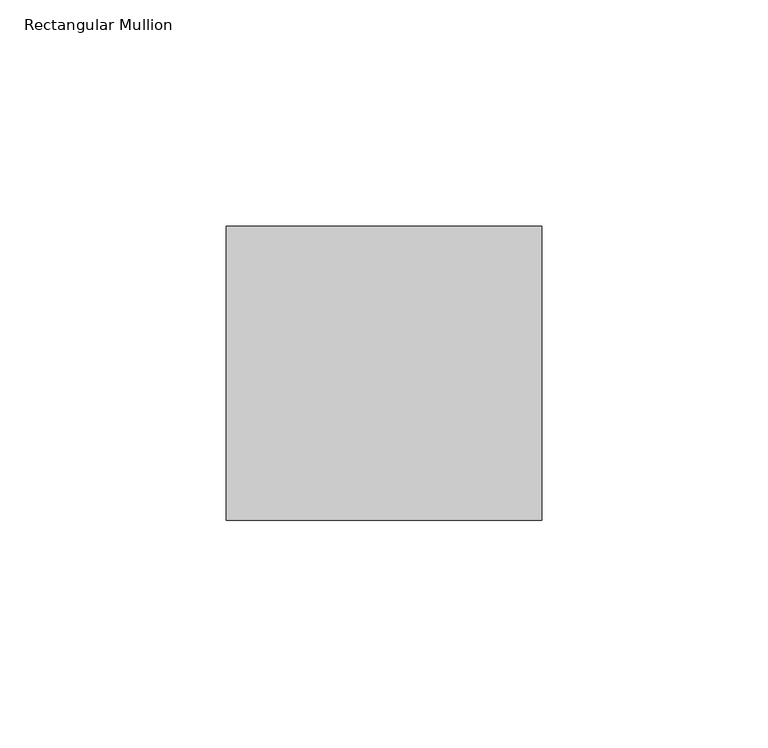
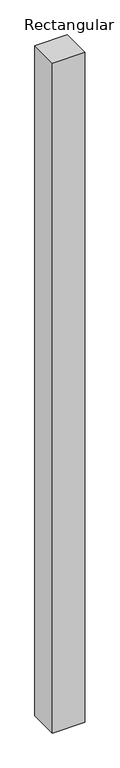
"""IFC4 building model written with IfcOpenShell, lengths in millimetres: member geometry, Rectangular Mullion."""

from ifc_helpers import new_model, si_unit, frame, origin, place, context, project, spatial, polyline, outline, extrude, source, transform, mapped, element, save


def rectangular_mullion_978f4b4e(model_context):
    return source(origin(), model_context, "Body", "SweptSolid", [
        extrude(outline(polyline([(-69.85, -46.0375), (-69.85, 19.05), (0.0, 19.05), (0.0, -46.0375), (-69.85, -46.0375)])), frame((0.0, 0.0, -1524.0), z_axis=(0.0, 0.0, 1.0), x_axis=(1.0, 0.0, 0.0)), (0.0, 0.0, 1.0), 1524.0),
    ])


if __name__ == "__main__":
    model = new_model("IFC4")
    model_context = context("Model", 3, world=origin())
    ifc_project = project(units=[si_unit("LENGTHUNIT", "METRE", prefix="MILLI")], contexts=[model_context])
    site = spatial("IfcSite", under=ifc_project)
    building = spatial("IfcBuilding", under=site)
    placement = place(None, origin())
    rectangular_mullion_shape = rectangular_mullion_978f4b4e(model_context)
    element("IfcMember", 1, ObjectType="Rectangular Mullion", at=placement, inside=building, context=model_context, shape_type="MappedRepresentation", body=[
        mapped(rectangular_mullion_shape, transform((0.0, 0.0, 0.0), x_axis=(1.0, 0.0, 0.0), y_axis=(0.0, 1.0, 0.0), z_axis=(0.0, 0.0, 1.0))),
    ])
    save(model, "model.ifc")
